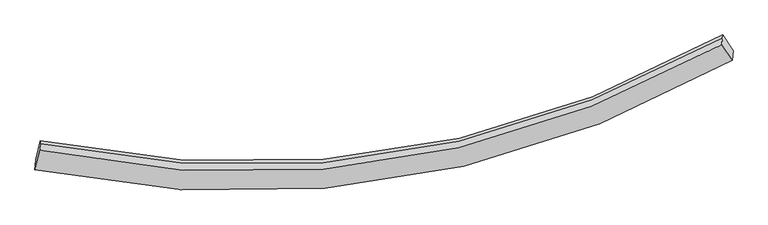
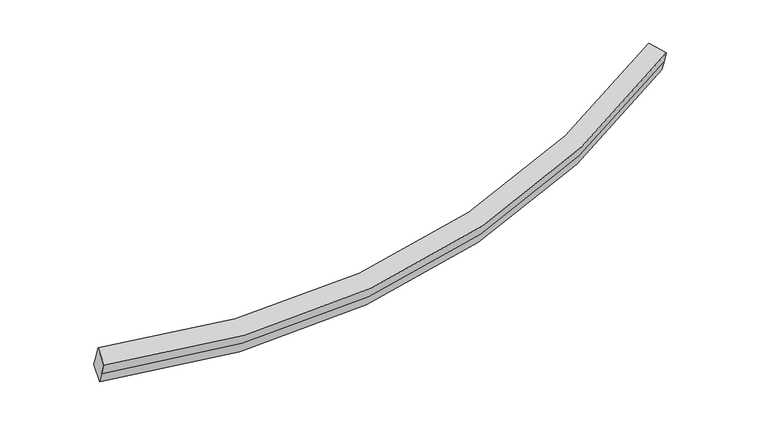
"""IFC4 building model written with IfcOpenShell, lengths in millimetres: proxy geometry."""

import ifcopenshell
import ifcopenshell.guid

model = None  # the IFC model being written
_history = None  # IfcOwnerHistory: only IFC2X3 demands one
_inside = {}  # id of a spatial element -> (the spatial element, [elements in it])
_under = {}  # id of a project, library or spatial element -> (it, [spatial elements below it])
_declared = {}  # id of a project -> (the project, [libraries it declares])
_typed = {}  # id of a type object -> (the type object, [elements of that type])
_made_of = {}  # id of a material, layer set ... -> (it, [elements and type objects made of it])


def new_model(schema):
    """Start an empty IFC model of exactly this schema.

    Asked for "IFC4X3", IfcOpenShell would pick the latest addendum, in which some entities
    have other attributes; the version numbers below select the first issue.
    IFC2X3 requires an IfcOwnerHistory on every rooted entity: one is made here for all.
    """
    global model, _history
    if schema == "IFC4X3":
        model = ifcopenshell.file(schema_version=(4, 3, 0, 0))
    else:
        model = ifcopenshell.file(schema=schema)
    _inside.clear()
    _under.clear()
    _declared.clear()
    _typed.clear()
    _made_of.clear()
    _history = None
    if model.schema == "IFC2X3":
        org = make("IfcOrganization", Name="unknown")
        user = make(
            "IfcPersonAndOrganization",
            ThePerson=make("IfcPerson", FamilyName="unknown"),
            TheOrganization=org,
        )
        app = make(
            "IfcApplication",
            ApplicationDeveloper=org,
            Version="unknown",
            ApplicationFullName="unknown",
            ApplicationIdentifier="unknown",
        )
        _history = make(
            "IfcOwnerHistory",
            OwningUser=user,
            OwningApplication=app,
            ChangeAction="ADDED",
            CreationDate=0,
        )
    return model


def make(cls, **values):
    """One entity of the class cls with the attributes given. An attribute that is None is left unset."""
    return model.create_entity(
        cls, **{name: value for name, value in values.items() if value is not None}
    )


def rooted(cls, **values):
    """An entity with a GlobalId (a new one), such as an element, a storey or a relation."""
    return make(cls, GlobalId=ifcopenshell.guid.new(), OwnerHistory=_history, **values)


def si_unit(unit_type, name, prefix=None):
    """IfcSIUnit, for example si_unit("LENGTHUNIT", "METRE", prefix="MILLI")."""
    return make("IfcSIUnit", UnitType=unit_type, Prefix=prefix, Name=name)


def assignment(units):
    """IfcUnitAssignment: the units of a project."""
    return None if units is None else make("IfcUnitAssignment", Units=units)


def point(xyz):
    """IfcCartesianPoint."""
    return None if xyz is None else make("IfcCartesianPoint", Coordinates=xyz)


def direction(xyz):
    """IfcDirection."""
    return None if xyz is None else make("IfcDirection", DirectionRatios=xyz)


def frame(location, z_axis=None, x_axis=None):
    """IfcAxis2Placement3D, a coordinate frame: its origin and axes. An axis left out is left unset."""
    return make(
        "IfcAxis2Placement3D",
        Location=point(location),
        Axis=direction(z_axis),
        RefDirection=direction(x_axis),
    )


def origin():
    """The frame at (0, 0, 0) with its axes left unset."""
    return frame((0.0, 0.0, 0.0))


def place(relative_to, where):
    """IfcLocalPlacement: puts the frame where relative to a parent placement (None: the world)."""
    return make(
        "IfcLocalPlacement", PlacementRelTo=relative_to, RelativePlacement=where
    )


def context(
    kind, dimensions, precision=None, world=None, true_north=None, identifier=None
):
    """IfcGeometricRepresentationContext, for example the 3D "Model" context."""
    return make(
        "IfcGeometricRepresentationContext",
        ContextIdentifier=identifier,
        ContextType=kind,
        CoordinateSpaceDimension=dimensions,
        Precision=precision,
        WorldCoordinateSystem=world,
        TrueNorth=true_north,
    )


def project(units=None, contexts=None):
    """IfcProject with its units and contexts."""
    return rooted(
        "IfcProject",
        Name="project",
        RepresentationContexts=contexts,
        UnitsInContext=assignment(units),
    )


def spatial(cls, under=None, at=None, **own):
    """A site, building, storey or space (cls), placed at a placement, below another one or the project."""
    s = rooted(cls, ObjectPlacement=at, **own)
    if under is not None:
        _under.setdefault(under.id(), (under, []))[1].append(s)
    return s


def shape(context_of_items, identifier, shape_type, items):
    """IfcShapeRepresentation: the items that make up one representation, for example the "Body"."""
    return make(
        "IfcShapeRepresentation",
        ContextOfItems=context_of_items,
        RepresentationIdentifier=identifier,
        RepresentationType=shape_type,
        Items=items,
    )


def source(mapping_origin, context_of_items, identifier, shape_type, items):
    """IfcRepresentationMap: a shape defined once, which mapped items show again and again."""
    return make(
        "IfcRepresentationMap",
        MappingOrigin=mapping_origin,
        MappedRepresentation=shape(context_of_items, identifier, shape_type, items),
    )


def transform(
    local_origin,
    x_axis=None,
    y_axis=None,
    z_axis=None,
    scale=None,
    scale2=None,
    scale3=None,
    uniform=True,
):
    """IfcCartesianTransformationOperator3D, or its non-uniform kind. x_axis, y_axis, z_axis: its Axis1, 2, 3."""
    if uniform:
        return make(
            "IfcCartesianTransformationOperator3D",
            Axis1=direction(x_axis),
            Axis2=direction(y_axis),
            LocalOrigin=point(local_origin),
            Scale=scale,
            Axis3=direction(z_axis),
        )
    return make(
        "IfcCartesianTransformationOperator3DnonUniform",
        Axis1=direction(x_axis),
        Axis2=direction(y_axis),
        LocalOrigin=point(local_origin),
        Scale=scale,
        Axis3=direction(z_axis),
        Scale2=scale2,
        Scale3=scale3,
    )


def mapped(mapping_source, mapping_target):
    """IfcMappedItem: shows the shape of a source again, moved by a transform."""
    return make(
        "IfcMappedItem", MappingSource=mapping_source, MappingTarget=mapping_target
    )


def made_of(thing, what):
    """Note that an element or type object is made of a material, layer set ...; save() writes the relation."""
    if what is not None:
        _made_of.setdefault(what.id(), (what, []))[1].append(thing)
    return thing


def element(
    cls,
    number,
    at=None,
    inside=None,
    cuts=None,
    type_object=None,
    material=None,
    context=None,
    identifier="Body",
    shape_type=None,
    held_by="IfcProductDefinitionShape",
    body=None,
    shapes=None,
    **own,
):
    """One element of the class cls, such as IfcWall. Its Tag is "e" and its number.

    at: its placement. inside: the storey or other place that contains it. cuts: it is an
    opening in that element (IfcRelVoidsElement). A single representation is given by context,
    identifier, shape_type and body (its items); several are given by shapes. held_by: the class
    of the entity that holds the representations. save() writes the other relations.
    """
    e = rooted(cls, Tag="e%d" % number, ObjectPlacement=at, **own)
    if body is not None:
        shapes = [shape(context, identifier, shape_type, body)]
    if shapes is not None:
        e.Representation = make(held_by, Representations=shapes)
    if inside is not None:
        _inside.setdefault(inside.id(), (inside, []))[1].append(e)
    if cuts is not None:
        rooted(
            "IfcRelVoidsElement", RelatingBuildingElement=cuts, RelatedOpeningElement=e
        )
    if type_object is not None:
        _typed.setdefault(type_object.id(), (type_object, []))[1].append(e)
    return made_of(e, material)


def aggregate(whole, parts):
    """IfcRelAggregates: a whole, such as a stair, and the parts it consists of."""
    return rooted("IfcRelAggregates", RelatingObject=whole, RelatedObjects=parts)


def save(model, path):
    """Write the relations noted so far, then the file.

    IfcRelAggregates (storeys below a building ...), IfcRelContainedInSpatialStructure (elements
    in a storey), IfcRelDefinesByType, IfcRelAssociatesMaterial and IfcRelDeclares: one each for
    every whole, place, type object, material and project.
    """
    for whole, parts in _under.values():
        aggregate(whole, parts)
    for where, things in _inside.values():
        rooted(
            "IfcRelContainedInSpatialStructure",
            RelatedElements=things,
            RelatingStructure=where,
        )
    for kind, things in _typed.values():
        rooted("IfcRelDefinesByType", RelatedObjects=things, RelatingType=kind)
    for what, things in _made_of.values():
        rooted("IfcRelAssociatesMaterial", RelatedObjects=things, RelatingMaterial=what)
    for by, libraries in _declared.values():
        rooted("IfcRelDeclares", RelatingContext=by, RelatedDefinitions=libraries)
    model.write(path)


def plane_surface(at):
    """IfcPlane: the flat surface through the origin of the frame at, square to its z axis."""
    return make("IfcPlane", Position=at)


def spline_curve(degree, points, multiplicities, knots, weights=None):
    """IfcBSplineCurveWithKnots; with weights, IfcRationalBSplineCurveWithKnots."""
    own = dict(
        Degree=degree,
        ControlPointsList=[point(p) for p in points],
        CurveForm="UNSPECIFIED",
        ClosedCurve=False,
        SelfIntersect=False,
        KnotMultiplicities=multiplicities,
        Knots=knots,
        KnotSpec="UNSPECIFIED",
    )
    if weights is None:
        return make("IfcBSplineCurveWithKnots", **own)
    return make("IfcRationalBSplineCurveWithKnots", WeightsData=weights, **own)


def spline_surface(u_degree, v_degree, points, u_multiplicities, v_multiplicities, u_knots, v_knots, weights=None):
    """IfcBSplineSurfaceWithKnots; with weights, IfcRationalBSplineSurfaceWithKnots. points: one row for each step in u."""
    own = dict(
        UDegree=u_degree,
        VDegree=v_degree,
        ControlPointsList=[[point(p) for p in row] for row in points],
        SurfaceForm="UNSPECIFIED",
        UClosed=False,
        VClosed=False,
        SelfIntersect=False,
        UMultiplicities=u_multiplicities,
        VMultiplicities=v_multiplicities,
        UKnots=u_knots,
        VKnots=v_knots,
        KnotSpec="UNSPECIFIED",
    )
    if weights is None:
        return make("IfcBSplineSurfaceWithKnots", **own)
    return make("IfcRationalBSplineSurfaceWithKnots", WeightsData=weights, **own)


def advanced_brep(points, edges, surfaces, faces):
    """IfcAdvancedBrep: a solid bounded by faces that lie on surfaces and meet in shared edges.

    An edge is (start, end): straight between two places in points (the first is 0);
    or (start, end, curve); or (start, end, curve, False) where it runs against its curve.
    A face is (place in surfaces, loops), or (place, loops, False) where it looks against
    its surface's normal. A loop lists edges by number (the first is 1), with a minus sign
    where the edge is run from its end to its start. The first loop is the outer one.
    """
    corners = [point(p) for p in points]
    vertices = [make("IfcVertexPoint", VertexGeometry=c) for c in corners]
    made = []
    for start, end, *more in edges:
        made.append(
            make(
                "IfcEdgeCurve",
                EdgeStart=vertices[start],
                EdgeEnd=vertices[end],
                EdgeGeometry=more[0] if more else make("IfcPolyline", Points=[corners[start], corners[end]]),
                SameSense=more[1] if len(more) > 1 else True,
            )
        )
    hull = []
    for where, loops, *sense in faces:
        bounds = []
        for j, loop in enumerate(loops):
            ring = [make("IfcOrientedEdge", EdgeElement=made[abs(k) - 1], Orientation=k > 0) for k in loop]
            bounds.append(
                make(
                    "IfcFaceOuterBound" if j == 0 else "IfcFaceBound",
                    Bound=make("IfcEdgeLoop", EdgeList=ring),
                    Orientation=True,
                )
            )
        hull.append(make("IfcAdvancedFace", Bounds=bounds, FaceSurface=surfaces[where], SameSense=sense[0] if sense else True))
    return make("IfcAdvancedBrep", Outer=make("IfcClosedShell", CfsFaces=hull))


def generic_models_fb16cc4d(model_context):
    return source(origin(), model_context, "Body", "AdvancedBrep", [
        advanced_brep(
        [(-4777.2407548, -2292.497841, 1794.767703), (-4771.9318231, -2221.4863555, 1607.0466019), (5363.4114874, -633.7677414, 2508.7834763), (5358.0364117, -705.6639586, 2698.8433934), (-4709.8511187, -2010.9143556, 1903.1914681), (5205.4209674, -476.7097818, 2781.1364928), (-4702.5615651, -1913.4103647, 1645.4365935), (5212.5971249, -380.7225604, 2527.3912463), (-4699.2332552, -1868.8913846, 1527.7492659), (5216.0876666, -334.0335908, 2403.967483), (-4766.6228913, -2150.47487, 1419.3255008), (5368.7865631, -561.8715242, 2318.7235592)],
        [
            (0, 1),
            (1, 2, spline_curve(3, [(-4771.9318231, -2221.4863555, 1607.0466019), (-3336.536479142, -2516.502717853, 1538.54670292), (-1931.545409936, -2607.027752442, 1546.316752487), (1483.493177393, -2323.888637164, 1755.106650492), (3456.949878258, -1704.12406486, 2047.915559132), (5363.4114874, -633.7677414, 2508.7834763)], [4, 2, 4], [0.0, 13.863005506073602, 34.44140370305067])),
            (2, 3),
            (3, 0, spline_curve(3, [(5358.0364117, -705.6639586, 2698.8433934), (3451.601199155, -1775.667199961, 2237.042092222), (1478.162994762, -2395.184371391, 1943.579172948), (-1936.857859836, -2678.086296757, 1734.162254265), (-3341.845377109, -2587.513751881, 1726.266610415), (-4777.2407548, -2292.497841, 1794.767703)], [4, 2, 4], [0.0, 20.578398196977066, 34.44140370305067])),
            (4, 0),
            (3, 5),
            (5, 4, spline_curve(3, [(5205.4209674, -476.7097818, 2781.1364928), (3337.264927376, -1520.770766882, 2330.231247738), (1405.414664704, -2123.583134235, 2044.263599191), (-1934.46400751, -2393.987189964, 1841.699490733), (-3307.704439951, -2302.576347023, 1835.018797586), (-4709.8511187, -2010.9143556, 1903.1914681)], [4, 2, 4], [0.0, 20.352050712043493, 34.06257319199016])),
            (6, 4),
            (5, 7),
            (7, 6, spline_curve(3, [(5212.5971249, -380.7225604, 2527.3912463), (3344.412559062, -1425.165099253, 2077.494651122), (1412.564308618, -2027.950553239, 1791.455855641), (-1927.259885898, -2297.625925607, 1586.96545012), (-3300.464531571, -2205.736406661, 1579.01936134), (-4702.5615651, -1913.4103647, 1645.4365935)], [4, 2, 4], [0.0, 20.125727649049047, 33.68378355514429])),
            (8, 6),
            (7, 9),
            (9, 8, spline_curve(3, [(5216.0876666, -334.0335908, 2403.967483), (3347.923270782, -1378.206344688, 1953.357701732), (1416.06383295, -1981.141431973, 1667.714467224), (-1923.831564639, -2251.76920883, 1465.74177335), (-3297.079100735, -2160.453385953, 1459.312268853), (-4699.2332552, -1868.8913846, 1527.7492659)], [4, 2, 4], [0.0, 20.125724476167097, 33.68377824479374])),
            (10, 8),
            (9, 11),
            (11, 10, spline_curve(3, [(5368.7865631, -561.8715242, 2318.7235592), (3462.298556718, -1632.580930177, 1858.78902615), (1488.823360224, -2252.592902906, 1566.634128856), (-1926.232960169, -2535.969208314, 1358.471250324), (-3331.227581402, -2445.491683552, 1350.826794979), (-4766.6228913, -2150.47487, 1419.3255008)], [4, 2, 4], [0.0, 20.352041748966187, 34.06255819077574])),
            (1, 10),
            (11, 2),
        ],
        [
            spline_surface(3, 3, [[(-4777.2407548, -2292.497841, 1794.767703), (-3341.845377303, -2587.513751941, 1726.266610622), (-1936.857859797, -2678.086296528, 1734.162254441), (1478.162994704, -2395.184371732, 1943.579172686), (3451.601199356, -1775.667199698, 2237.042092336), (5358.0364117, -705.6639586, 2698.8433934)], [(-4775.471110888, -2268.827345829, 1732.194002632), (-3340.075744639, -2563.843407224, 1663.693307982), (-1935.087043159, -2654.400115138, 1671.547087059), (1479.939722247, -2371.419126949, 1880.754998729), (3453.384092252, -1751.819488071, 2173.999914676), (5359.828103594, -681.698552879, 2635.490087694)], [(-4773.701467012, -2245.156850671, 1669.620302268), (-3338.306112011, -2540.173062518, 1601.120005344), (-1933.316226529, -2630.71393371, 1608.931919661), (1481.716449782, -2347.653882127, 1817.930824757), (3455.166985166, -1727.971776405, 2110.957737035), (5361.619795506, -657.733147121, 2572.136782006)], [(-4771.9318231, -2221.4863555, 1607.0466019), (-3336.536479347, -2516.502717801, 1538.546702705), (-1931.54540989, -2607.02775232, 1546.316752279), (1483.493177326, -2323.888637344, 1755.106650801), (3456.949878062, -1704.124064778, 2047.915559374), (5363.4114874, -633.7677414, 2508.7834763)]], [4, 4], [4, 2, 4], [0.0, 0.6607498502398966], [0.0, 13.863005506073602, 34.44140370305067]),
            spline_surface(3, 3, [[(-4709.8511187, -2010.9143556, 1903.1914681), (-3307.704439815, -2302.576347093, 1835.018797677), (-1934.464007294, -2393.987189932, 1841.699490677), (1405.414664383, -2123.583134283, 2044.263599273), (3337.264927255, -1520.770766858, 2330.231247848), (5205.4209674, -476.7097818, 2781.1364928)], [(-4732.314330737, -2104.775517387, 1867.050213069), (-3319.084752315, -2397.55548203, 1798.768068661), (-1935.261958108, -2488.686892127, 1805.853745275), (1429.664107843, -2214.116880096, 2010.702123754), (3375.377017969, -1605.736244457, 2299.168196016), (5256.29278218, -553.027840718, 2753.705459672)], [(-4754.777542763, -2198.636679213, 1830.908958031), (-3330.465064803, -2492.534617005, 1762.517339637), (-1936.059908983, -2583.386594332, 1770.007999844), (1453.913551243, -2304.650625919, 1977.140648206), (3413.489108642, -1690.7017221, 2268.105144168), (5307.16459692, -629.345899682, 2726.274426528)], [(-4777.2407548, -2292.497841, 1794.767703), (-3341.845377303, -2587.513751941, 1726.266610622), (-1936.857859797, -2678.086296528, 1734.162254441), (1478.162994704, -2395.184371732, 1943.579172686), (3451.601199356, -1775.667199698, 2237.042092336), (5358.0364117, -705.6639586, 2698.8433934)]], [4, 4], [4, 2, 4], [0.0, 0.9755197758525763], [0.0, 13.71052247994667, 34.06257319199016]),
            spline_surface(3, 3, [[(-4702.5615651, -1913.4103647, 1645.4365935), (-3300.46453168, -2205.736406587, 1579.019361232), (-1927.259885756, -2297.625925657, 1586.965450128), (1412.564308408, -2027.950553166, 1791.455855629), (3344.412559182, -1425.16509931, 2077.494650986), (5212.5971249, -380.7225604, 2527.3912463)], [(-4704.991416309, -1945.911695016, 1731.354885031), (-3302.877834401, -2238.016386772, 1664.352506712), (-1929.66125961, -2329.74634708, 1671.87679699), (1410.181093725, -2059.828080203, 1875.725103523), (3342.030015199, -1457.033655158, 2161.740183259), (5210.205072393, -412.718300866, 2611.972995119)], [(-4707.421267491, -1978.413025284, 1817.273176569), (-3305.291137094, -2270.296366908, 1749.685652198), (-1932.06263344, -2361.866768509, 1756.788143816), (1407.797879066, -2091.705607246, 1959.99435138), (3339.647471238, -1488.90221101, 2245.985715575), (5207.813019907, -444.714041334, 2696.554743981)], [(-4709.8511187, -2010.9143556, 1903.1914681), (-3307.704439815, -2302.576347093, 1835.018797677), (-1934.464007294, -2393.987189932, 1841.699490677), (1405.414664383, -2123.583134283, 2044.263599273), (3337.264927255, -1520.770766858, 2330.231247848), (5205.4209674, -476.7097818, 2781.1364928)]], [4, 4], [4, 2, 4], [0.0, 0.8894567556676818], [0.0, 13.558055906095243, 33.68378355514429]),
            spline_surface(3, 3, [[(-4699.2332552, -1868.8913846, 1527.7492659), (-3297.0791009, -2160.453386053, 1459.312268654), (-1923.831564577, -2251.769208859, 1465.741773163), (1416.063832859, -1981.14143193, 1667.714467502), (3347.923270451, -1378.20634453, 1953.357702056), (5216.0876666, -334.0335908, 2403.967483)], [(-4700.342691814, -1883.731044625, 1566.978375104), (-3298.207577807, -2175.547726223, 1499.214632851), (-1924.974338301, -2267.054781135, 1506.149665462), (1414.897324711, -1996.744472352, 1708.961596856), (3346.753033356, -1393.859262794, 1994.736685059), (5214.924152695, -349.596580671, 2445.10873746)], [(-4701.452128486, -1898.570704675, 1606.207484296), (-3299.336054772, -2190.642066417, 1539.116997035), (-1926.117112032, -2282.340353381, 1546.557557828), (1413.730816556, -2012.347512744, 1750.208726276), (3345.582796277, -1409.512181046, 2036.115667982), (5213.760638805, -365.159570529, 2486.24999184)], [(-4702.5615651, -1913.4103647, 1645.4365935), (-3300.46453168, -2205.736406587, 1579.019361232), (-1927.259885756, -2297.625925657, 1586.965450128), (1412.564308408, -2027.950553166, 1791.455855629), (3344.412559182, -1425.16509931, 2077.494650986), (5212.5971249, -380.7225604, 2527.3912463)]], [4, 4], [4, 2, 4], [0.0, 0.4311982074287396], [0.0, 13.558053768626646, 33.68377824479374]),
            spline_surface(3, 3, [[(-4766.6228913, -2150.47487, 1419.3255008), (-3331.227581291, -2445.49168366, 1350.826794788), (-1926.232959984, -2535.969208213, 1358.471250216), (1488.823359948, -2252.592903056, 1566.634129016), (3462.298556769, -1632.580929857, 1858.789026413), (5368.7865631, -561.8715242, 2318.7235592)], [(-4744.159679263, -2056.613708213, 1455.466755831), (-3319.84475449, -2350.478917804, 1386.988619407), (-1925.432494868, -2441.235875098, 1394.228091222), (1464.570184232, -2162.109079351, 1600.327575202), (3424.17346134, -1547.789401401, 1890.311918289), (5317.886930944, -485.925546387, 2347.138200462)], [(-4721.696467237, -1962.752546387, 1491.608010869), (-3308.461927701, -2255.466151909, 1423.150444034), (-1924.632029693, -2346.502541974, 1429.984932157), (1440.317008575, -2071.625255636, 1634.021021316), (3386.04836588, -1462.997872985, 1921.834810179), (5266.987298756, -409.979568613, 2375.552841738)], [(-4699.2332552, -1868.8913846, 1527.7492659), (-3297.0791009, -2160.453386053, 1459.312268654), (-1923.831564577, -2251.769208859, 1465.741773163), (1416.063832859, -1981.14143193, 1667.714467502), (3347.923270451, -1378.20634453, 1953.357702056), (5216.0876666, -334.0335908, 2403.967483)]], [4, 4], [4, 2, 4], [0.0, 0.9755201415966048], [0.0, 13.71051644180955, 34.06255819077574]),
            spline_surface(3, 3, [[(-4771.9318231, -2221.4863555, 1607.0466019), (-3336.536479347, -2516.502717801, 1538.546702705), (-1931.54540989, -2607.02775232, 1546.316752279), (1483.493177326, -2323.888637344, 1755.106650801), (3456.949878062, -1704.124064778, 2047.915559374), (5363.4114874, -633.7677414, 2508.7834763)], [(-4770.162179188, -2197.815860329, 1544.472901532), (-3334.766846683, -2492.832373083, 1475.973400065), (-1929.774593252, -2583.341570931, 1483.701584897), (1485.26990487, -2300.123392561, 1692.282476845), (3458.732770958, -1680.27635315, 1984.873381714), (5365.203179294, -609.802335679, 2445.430170594)], [(-4768.392535212, -2174.145365171, 1481.899201168), (-3332.997213955, -2469.162028378, 1413.400097427), (-1928.003776622, -2559.655389603, 1421.086417599), (1487.046632405, -2276.358147839, 1629.458302973), (3460.515663873, -1656.428641484, 1921.831204073), (5366.994871206, -585.836929921, 2382.076864906)], [(-4766.6228913, -2150.47487, 1419.3255008), (-3331.227581291, -2445.49168366, 1350.826794788), (-1926.232959984, -2535.969208213, 1358.471250216), (1488.823359948, -2252.592903056, 1566.634129016), (3462.298556769, -1632.580929857, 1858.789026413), (5368.7865631, -561.8715242, 2318.7235592)]], [4, 4], [4, 2, 4], [0.0, 0.6607498502398899], [0.0, 13.86300156232119, 34.4413939051487]),
            plane_surface(frame((5287.0829022, -519.5697139, 2550.6677321), z_axis=(0.8467135995525281, 0.4892685168653342, 0.20902726792741042), x_axis=(-0.02644238310219645, -0.35368940462407267, 0.9349890937505879))),
            plane_surface(frame((-4738.237005, -2080.6946128, 1661.2584845), z_axis=(-0.9755973614425523, 0.21307200791341305, 0.05301044981960318), x_axis=(-0.02644238310223965, -0.3536894046240259, 0.9349890937506045))),
        ],
        [
            (0, [[1, 2, 3, 4]]),
            (1, [[5, -4, 6, 7]]),
            (2, [[8, -7, 9, 10]]),
            (3, [[11, -10, 12, 13]]),
            (4, [[14, -13, 15, 16]]),
            (5, [[17, -16, 18, -2]]),
            (6, [[-12, -9, -6, -3, -18, -15]]),
            (7, [[-1, -5, -8, -11, -14, -17]]),
        ],
    ),
    ])


if __name__ == "__main__":
    model = new_model("IFC4")
    model_context = context("Model", 3, world=origin())
    ifc_project = project(units=[si_unit("LENGTHUNIT", "METRE", prefix="MILLI")], contexts=[model_context])
    site = spatial("IfcSite", under=ifc_project)
    building = spatial("IfcBuilding", under=site)
    placement = place(None, origin())
    generic_models_shape = generic_models_fb16cc4d(model_context)
    element("IfcBuildingElementProxy", 1, Name="Generic Models", at=placement, inside=building, context=model_context, shape_type="MappedRepresentation", body=[
        mapped(generic_models_shape, transform((0.0, 0.0, 0.0), x_axis=(1.0, 0.0, 0.0), y_axis=(0.0, 1.0, 0.0), z_axis=(0.0, 0.0, 1.0))),
    ])
    save(model, "model.ifc")
